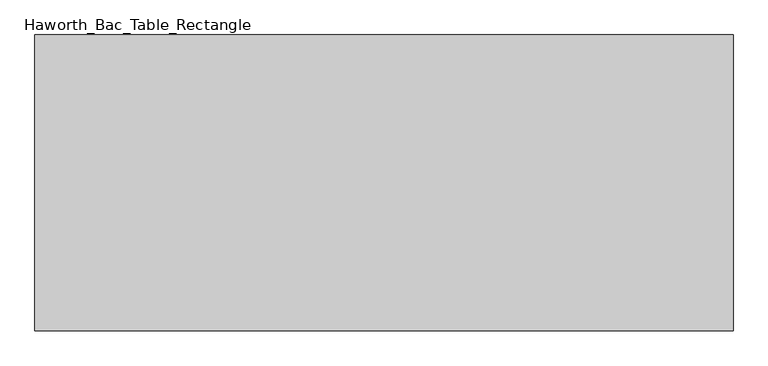
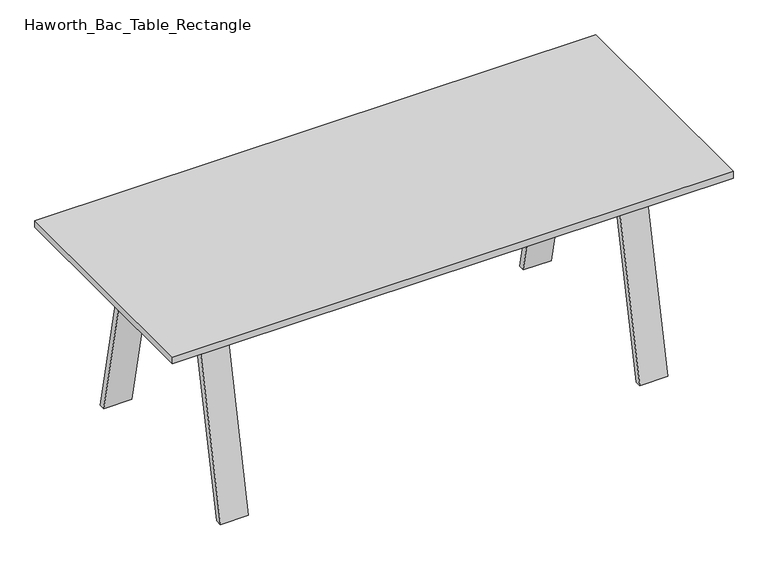
"""IFC4 building model written with IfcOpenShell, lengths in millimetres: furniture geometry, Haworth_Bac_Table_Rectangle."""

from ifc_helpers import new_model, si_unit, frame, origin, place, context, project, spatial, polyline, outline, extrude, source, transform, mapped, element, save


def haworth_bac_table_rectangle_a6fada99(model_context):
    return source(origin(), model_context, "Body", "SweptSolid", [
        extrude(outline(polyline([(1003.3, -421.4200592), (-1003.3, -421.4200592), (-1003.3, 429.4799408), (1003.3, 429.4799408), (1003.3, -421.4200592)])), frame((0.0, 0.0, 711.2), z_axis=(0.0, 0.0, 1.0), x_axis=(1.0, 0.0, 0.0)), (0.0, 0.0, 1.0), 25.4),
        extrude(outline(polyline([(720.0800781, -25.9837311), (-720.0800781, -25.9837311), (-720.0800781, 34.0436127), (720.0800781, 34.0436127), (720.0800781, -25.9837311)])), frame((0.0, 0.0, 630.7335938), z_axis=(0.0, 0.0, 1.0), x_axis=(1.0, 0.0, 0.0)), (0.0, 0.0, 1.0), 80.4664062),
        extrude(outline(polyline([(202.9569134, 711.2), (220.0605761, 630.7335937), (-212.0006945, 630.7335937), (-194.8970319, 711.2), (202.9569134, 711.2)])), frame((720.0800781, 0.0, 0.0), z_axis=(1.0, 0.0, 0.0), x_axis=(0.0, 1.0, 0.0)), (0.0, 0.0, 1.0), 60.0273437),
        extrude(outline(polyline([(202.9569134, 711.2), (225.4483823, 711.2), (376.6186089, 0.0), (354.1271401, 0.0), (202.9569134, 711.2)])), frame((700.0875, 0.0, 0.0), z_axis=(1.0, 0.0, 0.0), x_axis=(0.0, 1.0, 0.0)), (0.0, 0.0, 1.0), 100.0125),
        extrude(outline(polyline([(-194.8970319, 711.2), (-346.0672585, 0.0), (-368.5587274, 0.0), (-217.3885007, 711.2), (-194.8970319, 711.2)])), frame((700.0875, 0.0, 0.0), z_axis=(1.0, 0.0, 0.0), x_axis=(0.0, 1.0, 0.0)), (0.0, 0.0, 1.0), 100.0125),
        extrude(outline(polyline([(202.9569134, 711.2), (220.0605761, 630.7335938), (-212.0006945, 630.7335938), (-194.8970319, 711.2), (202.9569134, 711.2)])), frame((-780.1074219, 0.0, 0.0), z_axis=(1.0, 0.0, 0.0), x_axis=(0.0, 1.0, 0.0)), (0.0, 0.0, 1.0), 60.0273437),
        extrude(outline(polyline([(202.9569134, 711.2), (225.4483823, 711.2), (376.6186089, 0.0), (354.1271401, 0.0), (202.9569134, 711.2)])), frame((-800.1, 0.0, 0.0), z_axis=(1.0, 0.0, 0.0), x_axis=(0.0, 1.0, 0.0)), (0.0, 0.0, 1.0), 100.0125),
        extrude(outline(polyline([(-194.8970319, 711.2), (-346.0672585, 0.0), (-368.5587274, 0.0), (-217.3885007, 711.2), (-194.8970319, 711.2)])), frame((-800.1, 0.0, 0.0), z_axis=(1.0, 0.0, 0.0), x_axis=(0.0, 1.0, 0.0)), (0.0, 0.0, 1.0), 100.0125),
    ])


if __name__ == "__main__":
    model = new_model("IFC4")
    model_context = context("Model", 3, world=origin())
    ifc_project = project(units=[si_unit("LENGTHUNIT", "METRE", prefix="MILLI")], contexts=[model_context])
    site = spatial("IfcSite", under=ifc_project)
    building = spatial("IfcBuilding", under=site)
    placement = place(None, origin())
    haworth_bac_table_rectangle_shape = haworth_bac_table_rectangle_a6fada99(model_context)
    element("IfcFurniture", 1, ObjectType="Haworth_Bac_Table_Rectangle", at=placement, inside=building, context=model_context, shape_type="MappedRepresentation", body=[
        mapped(haworth_bac_table_rectangle_shape, transform((0.0, 0.0, 0.0), x_axis=(1.0, 0.0, 0.0), y_axis=(0.0, 1.0, 0.0), z_axis=(0.0, 0.0, 1.0))),
    ])
    save(model, "model.ifc")
